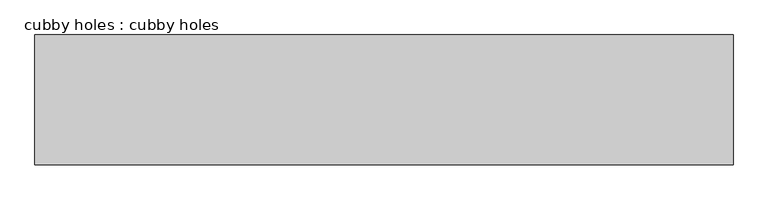
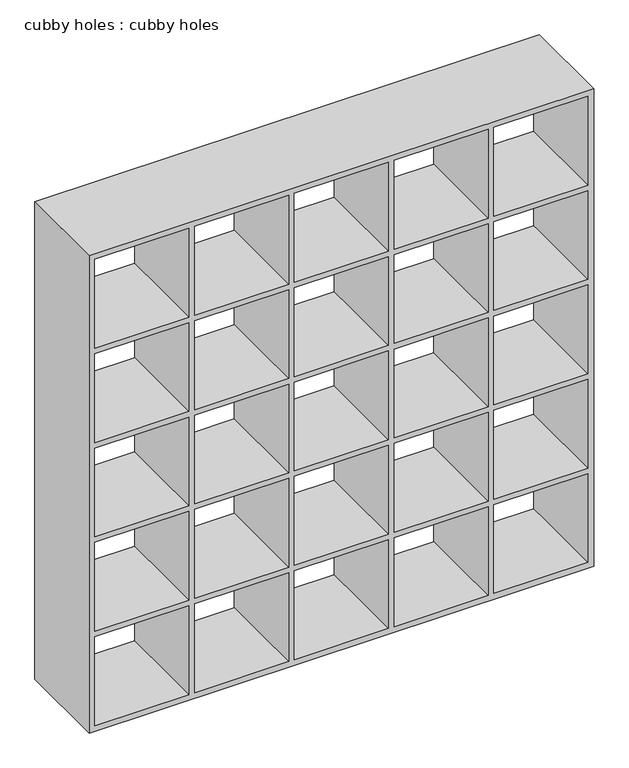
"""IFC4 building model written with IfcOpenShell, lengths in millimetres: furniture geometry, cubby holes : cubby holes."""

from ifc_helpers import new_model, si_unit, frame, origin, place, context, project, spatial, polyline, outline, extrude, source, transform, mapped, element, save


def cubby_holes_cubby_holes_62aea498(model_context):
    return source(origin(), model_context, "Body", "SweptSolid", [
        extrude(outline(polyline([(1638.3, 0.0), (0.0, 0.0), (0.0, 1638.3), (1638.3, 1638.3), (1638.3, 0.0)]), holes=[polyline([(323.85, 19.05), (323.85, 323.85), (19.05, 323.85), (19.05, 19.05), (323.85, 19.05)]), polyline([(323.85, 342.9), (323.85, 647.7), (19.05, 647.7), (19.05, 342.9), (323.85, 342.9)]), polyline([(323.85, 666.75), (323.85, 971.55), (19.05, 971.55), (19.05, 666.75), (323.85, 666.75)]), polyline([(323.85, 990.6), (323.85, 1295.4), (19.05, 1295.4), (19.05, 990.6), (323.85, 990.6)]), polyline([(323.85, 1314.45), (323.85, 1619.25), (19.05, 1619.25), (19.05, 1314.45), (323.85, 1314.45)]), polyline([(342.9, 323.85), (342.9, 19.05), (647.7, 19.05), (647.7, 323.85), (342.9, 323.85)]), polyline([(666.75, 323.85), (666.75, 19.05), (971.55, 19.05), (971.55, 323.85), (666.75, 323.85)]), polyline([(990.6, 323.85), (990.6, 19.05), (1295.4, 19.05), (1295.4, 323.85), (990.6, 323.85)]), polyline([(1314.45, 323.85), (1314.45, 19.05), (1619.25, 19.05), (1619.25, 323.85), (1314.45, 323.85)]), polyline([(1619.25, 647.7), (1314.45, 647.7), (1314.45, 342.9), (1619.25, 342.9), (1619.25, 647.7)]), polyline([(1619.25, 971.55), (1314.45, 971.55), (1314.45, 666.75), (1619.25, 666.75), (1619.25, 971.55)]), polyline([(1619.25, 1295.4), (1314.45, 1295.4), (1314.45, 990.6), (1619.25, 990.6), (1619.25, 1295.4)]), polyline([(1619.25, 1619.25), (1314.45, 1619.25), (1314.45, 1314.45), (1619.25, 1314.45), (1619.25, 1619.25)]), polyline([(1295.4, 647.7), (990.6, 647.7), (990.6, 342.9), (1295.4, 342.9), (1295.4, 647.7)]), polyline([(1295.4, 971.55), (990.6, 971.55), (990.6, 666.75), (1295.4, 666.75), (1295.4, 971.55)]), polyline([(1295.4, 1295.4), (990.6, 1295.4), (990.6, 990.6), (1295.4, 990.6), (1295.4, 1295.4)]), polyline([(1295.4, 1619.25), (990.6, 1619.25), (990.6, 1314.45), (1295.4, 1314.45), (1295.4, 1619.25)]), polyline([(971.55, 647.7), (666.75, 647.7), (666.75, 342.9), (971.55, 342.9), (971.55, 647.7)]), polyline([(971.55, 971.55), (666.75, 971.55), (666.75, 666.75), (971.55, 666.75), (971.55, 971.55)]), polyline([(971.55, 1295.4), (666.75, 1295.4), (666.75, 990.6), (971.55, 990.6), (971.55, 1295.4)]), polyline([(971.55, 1619.25), (666.75, 1619.25), (666.75, 1314.45), (971.55, 1314.45), (971.55, 1619.25)]), polyline([(647.7, 647.7), (342.9, 647.7), (342.9, 342.9), (647.7, 342.9), (647.7, 647.7)]), polyline([(647.7, 971.55), (342.9, 971.55), (342.9, 666.75), (647.7, 666.75), (647.7, 971.55)]), polyline([(647.7, 1295.4), (342.9, 1295.4), (342.9, 990.6), (647.7, 990.6), (647.7, 1295.4)]), polyline([(647.7, 1619.25), (342.9, 1619.25), (342.9, 1314.45), (647.7, 1314.45), (647.7, 1619.25)])]), frame((0.0, -304.8, 0.0), z_axis=(0.0, 1.0, 0.0), x_axis=(0.0, 0.0, 1.0)), (0.0, 0.0, 1.0), 304.8),
    ])


if __name__ == "__main__":
    model = new_model("IFC4")
    model_context = context("Model", 3, world=origin())
    ifc_project = project(units=[si_unit("LENGTHUNIT", "METRE", prefix="MILLI")], contexts=[model_context])
    site = spatial("IfcSite", under=ifc_project)
    building = spatial("IfcBuilding", under=site)
    placement = place(None, origin())
    cubby_holes_cubby_holes_shape = cubby_holes_cubby_holes_62aea498(model_context)
    element("IfcFurniture", 1, ObjectType="cubby holes : cubby holes", at=placement, inside=building, context=model_context, shape_type="MappedRepresentation", body=[
        mapped(cubby_holes_cubby_holes_shape, transform((0.0, 0.0, 0.0), x_axis=(1.0, 0.0, 0.0), y_axis=(0.0, 1.0, 0.0), z_axis=(0.0, 0.0, 1.0))),
    ])
    save(model, "model.ifc")
